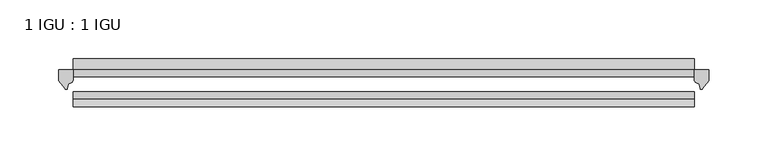
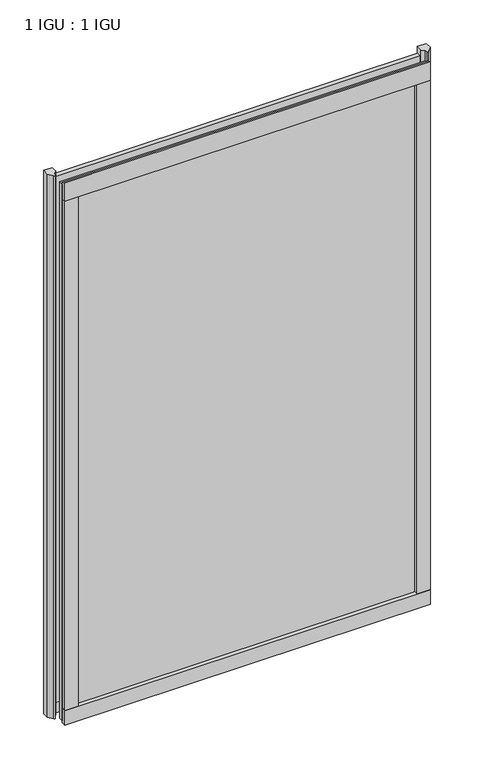
"""IFC4 building model written with IfcOpenShell, lengths in millimetres: plate geometry, 1 IGU : 1 IGU."""

from ifc_helpers import new_model, si_unit, point, frame, frame_2d, origin, place, context, project, spatial, polyline, circle_curve, trimmed, segment, composite_curve, outline, extrude, source, transform, mapped, element, save


def plate_1_igu_1_igu_bed95b4d(model_context):
    return source(origin(), model_context, "Body", "SweptSolid", [
        extrude(outline(polyline([(265.11885, 0.0021347), (265.11885, -6.2992), (-265.11885, -6.2992), (-265.11885, 0.0021347), (265.11885, 0.0021347)])), frame((0.0, 0.0, -19.05), z_axis=(0.0, 0.0, 1.0), x_axis=(1.0, 0.0, 0.0)), (0.0, 0.0, 1.0), 822.3250001),
        extrude(outline(polyline([(-265.11885, -19.0986653), (265.11885, -19.0986653), (265.11885, -25.3978653), (-265.11885, -25.3978653), (-265.11885, -19.0986653)])), frame((0.0, 0.0, -19.05), z_axis=(0.0, 0.0, 1.0), x_axis=(1.0, 0.0, 0.0)), (0.0, 0.0, 1.0), 822.3250001),
        extrude(outline(composite_curve([segment(polyline([(277.81885, 0.0), (277.81885, -9.7395025), (272.2526191, -16.3730781)]), True, "CONTINUOUS"), segment(trimmed(circle_curve(frame_2d((271.2989441, -15.7728374)), 1.1268473), [point((272.2526191, -16.3730781))], [point((270.1979912, -16.0130197))], False, "CARTESIAN"), True, "CONTINUOUS"), segment(polyline([(270.1979912, -16.0130197), (269.2177998, -11.7377885)]), True, "CONTINUOUS"), segment(trimmed(circle_curve(frame_2d((269.0903479, -7.7683362)), 3.9714979), [point((269.2177998, -11.7377885))], [point((265.1190286, -7.8060014))], False, "CARTESIAN"), True, "CONTINUOUS"), segment(polyline([(265.1190286, -7.8060014), (265.1190286, 0.0), (277.81885, 0.0)]), True, "CONTINUOUS")], self_intersect=False)), frame((0.0, 0.0, -19.05), z_axis=(0.0, 0.0, 1.0), x_axis=(1.0, 0.0, 0.0)), (0.0, 0.0, 1.0), 832.6374001),
        extrude(outline(composite_curve([segment(polyline([(-265.11885, 8.8e-06), (-265.11885, -7.7683362)]), True, "CONTINUOUS"), segment(trimmed(circle_curve(frame_2d((-269.0903479, -7.7683362)), 3.9714979), [point((-265.11885, -7.7683362))], [point((-269.2177998, -11.7377885))], False, "CARTESIAN"), True, "CONTINUOUS"), segment(polyline([(-269.2177998, -11.7377885), (-270.1978343, -16.012436)]), True, "CONTINUOUS"), segment(trimmed(circle_curve(frame_2d((-271.2990433, -15.7723555)), 1.1270758), [point((-270.1978343, -16.012436))], [point((-272.2528827, -16.372764))], False, "CARTESIAN"), True, "CONTINUOUS"), segment(polyline([(-272.2528827, -16.372764), (-277.81885, -9.7395025), (-277.81885, 8.8e-06), (-265.11885, 8.8e-06)]), True, "CONTINUOUS")], self_intersect=False)), frame((0.0, 0.0, -19.05), z_axis=(0.0, 0.0, 1.0), x_axis=(1.0, 0.0, 0.0)), (0.0, 0.0, 1.0), 832.6374001),
        extrude(outline(composite_curve([segment(polyline([(-31.75, 0.0), (-25.4, 0.0), (-25.4, -22.225)]), True, "CONTINUOUS"), segment(trimmed(circle_curve(frame_2d((-28.575, -28.9113452)), 7.4018806), [point((-25.4, -22.225))], [point((-31.75, -22.225))], True, "CARTESIAN"), True, "CONTINUOUS"), segment(polyline([(-31.75, -22.225), (-31.75, 0.0)]), True, "CONTINUOUS")], self_intersect=False)), frame((-265.11885, 0.0, 0.0), z_axis=(1.0, 0.0, 0.0), x_axis=(0.0, 1.0, 0.0)), (0.0, 0.0, 1.0), 530.2377),
        extrude(outline(composite_curve([segment(trimmed(circle_curve(frame_2d((13.6593785, 32.4202472)), 31.3046461), [point((0.0, 4.2528503))], [point((9.3980339, 1.406995))], True, "CARTESIAN"), True, "CONTINUOUS"), segment(polyline([(9.3980339, 1.406995), (9.3980339, 0.0254), (6.35, 0.0254), (6.35, -5.1625788), (7.7309478, -5.3970663), (6.35, -8.0073788), (6.35, -11.8471127)]), True, "CONTINUOUS"), segment(trimmed(circle_curve(frame_2d((5.334, -11.8471127)), 1.016), [point((6.35, -11.8471127))], [point((4.6284878, -12.5782136))], False, "CARTESIAN"), True, "CONTINUOUS"), segment(trimmed(circle_curve(frame_2d((-23.3689302, -41.5910901)), 40.3187601), [point((4.6284878, -12.5782136))], [point((0.0, -8.735413))], True, "CARTESIAN"), True, "CONTINUOUS"), segment(polyline([(0.0, -8.735413), (0.0, 4.2528503)]), True, "CONTINUOUS")], self_intersect=False)), frame((-265.11885, 0.0, 0.0), z_axis=(1.0, 0.0, 0.0), x_axis=(0.0, 1.0, 0.0)), (0.0, 0.0, 1.0), 530.2377),
        extrude(outline(composite_curve([segment(polyline([(-25.4, 806.4500001), (-25.4, 781.0500001), (-31.75, 781.0500001), (-31.75, 809.2228974)]), True, "CONTINUOUS"), segment(trimmed(circle_curve(frame_2d((-24.1401272, 817.9924116)), 11.6109665), [point((-31.75, 809.2228974))], [point((-25.4, 806.4500001))], True, "CARTESIAN"), True, "CONTINUOUS")], self_intersect=False)), frame((-265.11885, 0.0, 0.0), z_axis=(1.0, 0.0, 0.0), x_axis=(0.0, 1.0, 0.0)), (0.0, 0.0, 1.0), 530.2377),
        extrude(outline(composite_curve([segment(polyline([(246.06885, -25.4), (265.11885, -25.4)]), True, "CONTINUOUS"), segment(trimmed(circle_curve(frame_2d((274.5850007, -28.575)), 9.9844196), [point((265.11885, -25.4))], [point((265.11885, -31.75))], True, "CARTESIAN"), True, "CONTINUOUS"), segment(polyline([(265.11885, -31.75), (246.06885, -31.75), (246.06885, -25.4)]), True, "CONTINUOUS")], self_intersect=False)), frame((0.0, 0.0, -19.05), z_axis=(0.0, 0.0, 1.0), x_axis=(1.0, 0.0, 0.0)), (0.0, 0.0, 1.0), 822.3250001),
        extrude(outline(composite_curve([segment(trimmed(circle_curve(frame_2d((-274.5850007, -28.575)), 9.9844196), [point((-265.11885, -31.75))], [point((-265.11885, -25.4))], True, "CARTESIAN"), True, "CONTINUOUS"), segment(polyline([(-265.11885, -25.4), (-246.06885, -25.4), (-246.06885, -31.75), (-265.11885, -31.75)]), True, "CONTINUOUS")], self_intersect=False)), frame((0.0, 0.0, -19.05), z_axis=(0.0, 0.0, 1.0), x_axis=(1.0, 0.0, 0.0)), (0.0, 0.0, 1.0), 822.3250001),
    ])


if __name__ == "__main__":
    model = new_model("IFC4")
    model_context = context("Model", 3, world=origin())
    ifc_project = project(units=[si_unit("LENGTHUNIT", "METRE", prefix="MILLI")], contexts=[model_context])
    site = spatial("IfcSite", under=ifc_project)
    building = spatial("IfcBuilding", under=site)
    placement = place(None, origin())
    plate_1_igu_1_igu_shape = plate_1_igu_1_igu_bed95b4d(model_context)
    element("IfcPlate", 1, ObjectType="1 IGU : 1 IGU", at=placement, inside=building, context=model_context, shape_type="MappedRepresentation", body=[
        mapped(plate_1_igu_1_igu_shape, transform((0.0, 0.0, 0.0), x_axis=(1.0, 0.0, 0.0), y_axis=(0.0, 1.0, 0.0), z_axis=(0.0, 0.0, 1.0))),
    ])
    save(model, "model.ifc")
